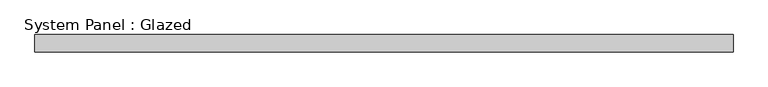
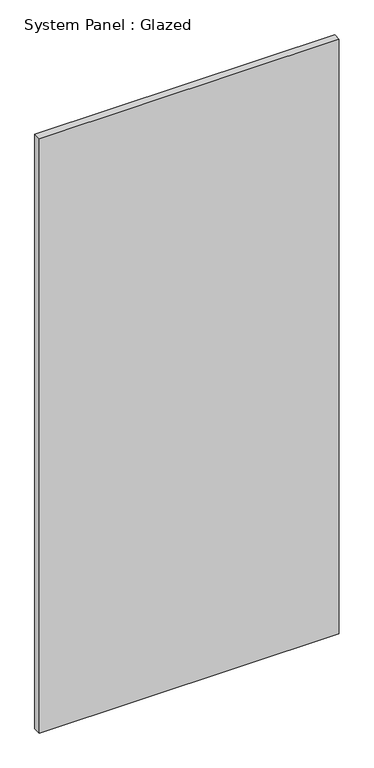
"""IFC4 building model written with IfcOpenShell, lengths in millimetres: plate geometry, System Panel : Glazed."""

from ifc_helpers import new_model, si_unit, origin, origin_with_axes, place, context, project, spatial, polyline, outline, extrude, source, transform, mapped, element, save


def system_panel_glazed_ed92117a(model_context):
    return source(origin(), model_context, "Body", "SweptSolid", [
        extrude(outline(polyline([(509.5875, -44.45), (-509.5875, -44.45), (-509.5875, -19.05), (509.5875, -19.05), (509.5875, -44.45)])), origin_with_axes(), (0.0, 0.0, 1.0), 2133.6),
    ])


if __name__ == "__main__":
    model = new_model("IFC4")
    model_context = context("Model", 3, world=origin())
    ifc_project = project(units=[si_unit("LENGTHUNIT", "METRE", prefix="MILLI")], contexts=[model_context])
    site = spatial("IfcSite", under=ifc_project)
    building = spatial("IfcBuilding", under=site)
    placement = place(None, origin())
    system_panel_glazed_shape = system_panel_glazed_ed92117a(model_context)
    element("IfcPlate", 1, ObjectType="System Panel : Glazed", at=placement, inside=building, context=model_context, shape_type="MappedRepresentation", body=[
        mapped(system_panel_glazed_shape, transform((0.0, 0.0, 0.0), x_axis=(1.0, 0.0, 0.0), y_axis=(0.0, 1.0, 0.0), z_axis=(0.0, 0.0, 1.0))),
    ])
    save(model, "model.ifc")
